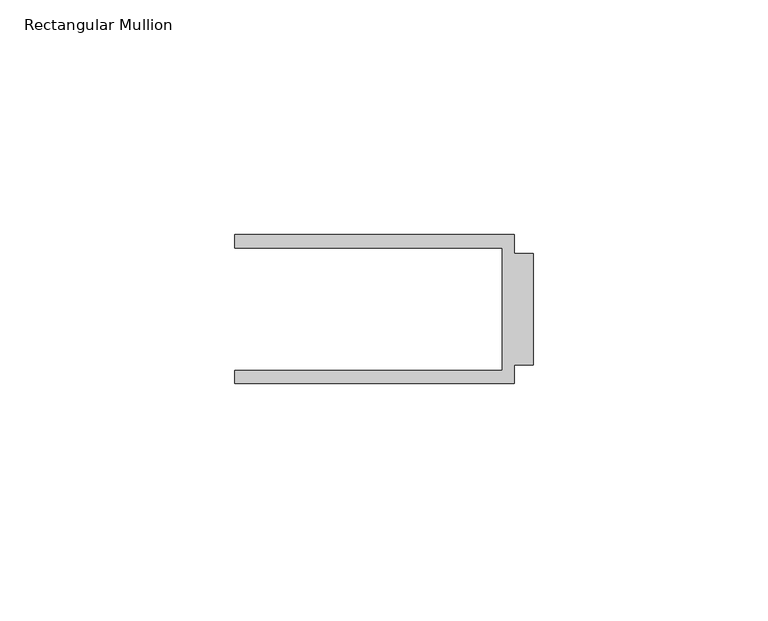
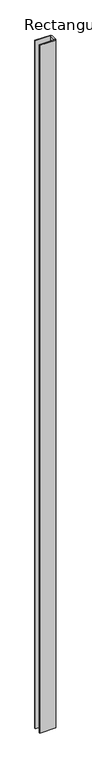
"""IFC4 building model written with IfcOpenShell, lengths in millimetres: member geometry, Rectangular Mullion."""

from ifc_helpers import new_model, si_unit, frame, origin, place, context, project, spatial, polyline, outline, extrude, source, transform, mapped, element, save


def rectangular_mullion_ca9d571a(model_context):
    return source(origin(), model_context, "Body", "SweptSolid", [
        extrude(outline(polyline([(-4.0000001, 15.875), (-4.0000001, 11.8750013), (0.0, 11.8750013), (0.0, -11.8750013), (-4.0000001, -11.8750013), (-4.0000001, -15.875), (-63.5, -15.875), (-63.5, -13.0750013), (-6.6000002, -13.0750013), (-6.6000002, 13.0750013), (-63.5, 13.0750013), (-63.5, 15.875), (-4.0000001, 15.875)])), frame((0.0, 0.0, -2743.2), z_axis=(0.0, 0.0, 1.0), x_axis=(1.0, 0.0, 0.0)), (0.0, 0.0, 1.0), 2743.2),
    ])


if __name__ == "__main__":
    model = new_model("IFC4")
    model_context = context("Model", 3, world=origin())
    ifc_project = project(units=[si_unit("LENGTHUNIT", "METRE", prefix="MILLI")], contexts=[model_context])
    site = spatial("IfcSite", under=ifc_project)
    building = spatial("IfcBuilding", under=site)
    placement = place(None, origin())
    rectangular_mullion_shape = rectangular_mullion_ca9d571a(model_context)
    element("IfcMember", 1, ObjectType="Rectangular Mullion", at=placement, inside=building, context=model_context, shape_type="MappedRepresentation", body=[
        mapped(rectangular_mullion_shape, transform((0.0, 0.0, 0.0), x_axis=(1.0, 0.0, 0.0), y_axis=(0.0, 1.0, 0.0), z_axis=(0.0, 0.0, 1.0))),
    ])
    save(model, "model.ifc")
